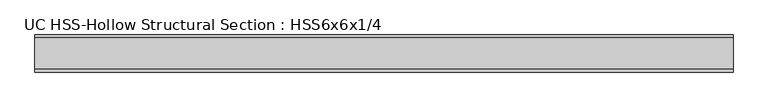
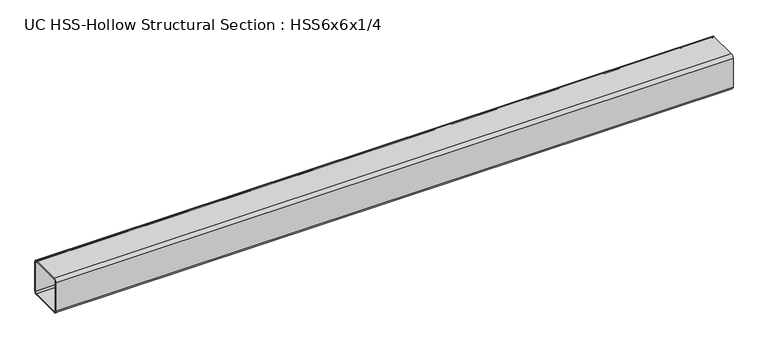
"""IFC4 building model written with IfcOpenShell, lengths in millimetres: beam geometry, UC HSS-Hollow Structural Section : HSS6x6x1/4."""

import ifcopenshell
import ifcopenshell.guid

model = None  # the IFC model being written
_history = None  # IfcOwnerHistory: only IFC2X3 demands one
_inside = {}  # id of a spatial element -> (the spatial element, [elements in it])
_under = {}  # id of a project, library or spatial element -> (it, [spatial elements below it])
_declared = {}  # id of a project -> (the project, [libraries it declares])
_typed = {}  # id of a type object -> (the type object, [elements of that type])
_made_of = {}  # id of a material, layer set ... -> (it, [elements and type objects made of it])


def new_model(schema):
    """Start an empty IFC model of exactly this schema.

    Asked for "IFC4X3", IfcOpenShell would pick the latest addendum, in which some entities
    have other attributes; the version numbers below select the first issue.
    IFC2X3 requires an IfcOwnerHistory on every rooted entity: one is made here for all.
    """
    global model, _history
    if schema == "IFC4X3":
        model = ifcopenshell.file(schema_version=(4, 3, 0, 0))
    else:
        model = ifcopenshell.file(schema=schema)
    _inside.clear()
    _under.clear()
    _declared.clear()
    _typed.clear()
    _made_of.clear()
    _history = None
    if model.schema == "IFC2X3":
        org = make("IfcOrganization", Name="unknown")
        user = make(
            "IfcPersonAndOrganization",
            ThePerson=make("IfcPerson", FamilyName="unknown"),
            TheOrganization=org,
        )
        app = make(
            "IfcApplication",
            ApplicationDeveloper=org,
            Version="unknown",
            ApplicationFullName="unknown",
            ApplicationIdentifier="unknown",
        )
        _history = make(
            "IfcOwnerHistory",
            OwningUser=user,
            OwningApplication=app,
            ChangeAction="ADDED",
            CreationDate=0,
        )
    return model


def make(cls, **values):
    """One entity of the class cls with the attributes given. An attribute that is None is left unset."""
    return model.create_entity(
        cls, **{name: value for name, value in values.items() if value is not None}
    )


def rooted(cls, **values):
    """An entity with a GlobalId (a new one), such as an element, a storey or a relation."""
    return make(cls, GlobalId=ifcopenshell.guid.new(), OwnerHistory=_history, **values)


def si_unit(unit_type, name, prefix=None):
    """IfcSIUnit, for example si_unit("LENGTHUNIT", "METRE", prefix="MILLI")."""
    return make("IfcSIUnit", UnitType=unit_type, Prefix=prefix, Name=name)


def assignment(units):
    """IfcUnitAssignment: the units of a project."""
    return None if units is None else make("IfcUnitAssignment", Units=units)


def point(xyz):
    """IfcCartesianPoint."""
    return None if xyz is None else make("IfcCartesianPoint", Coordinates=xyz)


def direction(xyz):
    """IfcDirection."""
    return None if xyz is None else make("IfcDirection", DirectionRatios=xyz)


def frame(location, z_axis=None, x_axis=None):
    """IfcAxis2Placement3D, a coordinate frame: its origin and axes. An axis left out is left unset."""
    return make(
        "IfcAxis2Placement3D",
        Location=point(location),
        Axis=direction(z_axis),
        RefDirection=direction(x_axis),
    )


def frame_2d(location, x_axis=None):
    """IfcAxis2Placement2D, a coordinate frame in the plane: its origin and x axis."""
    return make(
        "IfcAxis2Placement2D", Location=point(location), RefDirection=direction(x_axis)
    )


def origin():
    """The frame at (0, 0, 0) with its axes left unset."""
    return frame((0.0, 0.0, 0.0))


def place(relative_to, where):
    """IfcLocalPlacement: puts the frame where relative to a parent placement (None: the world)."""
    return make(
        "IfcLocalPlacement", PlacementRelTo=relative_to, RelativePlacement=where
    )


def context(
    kind, dimensions, precision=None, world=None, true_north=None, identifier=None
):
    """IfcGeometricRepresentationContext, for example the 3D "Model" context."""
    return make(
        "IfcGeometricRepresentationContext",
        ContextIdentifier=identifier,
        ContextType=kind,
        CoordinateSpaceDimension=dimensions,
        Precision=precision,
        WorldCoordinateSystem=world,
        TrueNorth=true_north,
    )


def project(units=None, contexts=None):
    """IfcProject with its units and contexts."""
    return rooted(
        "IfcProject",
        Name="project",
        RepresentationContexts=contexts,
        UnitsInContext=assignment(units),
    )


def spatial(cls, under=None, at=None, **own):
    """A site, building, storey or space (cls), placed at a placement, below another one or the project."""
    s = rooted(cls, ObjectPlacement=at, **own)
    if under is not None:
        _under.setdefault(under.id(), (under, []))[1].append(s)
    return s


def polyline(points):
    """IfcPolyline through the points."""
    return make("IfcPolyline", Points=[point(p) for p in points])


def circle_curve(where, radius):
    """IfcCircle in the frame where."""
    return make("IfcCircle", Position=where, Radius=radius)


def trimmed(basis, trim1, trim2, sense, master):
    """IfcTrimmedCurve: the piece of a basis curve between two trims."""
    return make(
        "IfcTrimmedCurve",
        BasisCurve=basis,
        Trim1=trim1,
        Trim2=trim2,
        SenseAgreement=sense,
        MasterRepresentation=master,
    )


def segment(curve, same_sense, transition):
    """IfcCompositeCurveSegment."""
    return make(
        "IfcCompositeCurveSegment",
        Transition=transition,
        SameSense=same_sense,
        ParentCurve=curve,
    )


def composite_curve(segments, self_intersect=None):
    """IfcCompositeCurve: segments joined end to end."""
    return make("IfcCompositeCurve", Segments=segments, SelfIntersect=self_intersect)


def outline(outer, holes=None, kind="AREA"):
    """IfcArbitraryClosedProfileDef: a profile drawn as a closed curve; with holes, ...WithVoids."""
    if holes is None:
        return make("IfcArbitraryClosedProfileDef", ProfileType=kind, OuterCurve=outer)
    return make(
        "IfcArbitraryProfileDefWithVoids",
        ProfileType=kind,
        OuterCurve=outer,
        InnerCurves=holes,
    )


def extrude(swept, where, along, depth):
    """IfcExtrudedAreaSolid: the profile swept, set in the frame where, extruded along a direction by depth."""
    return make(
        "IfcExtrudedAreaSolid",
        SweptArea=swept,
        Position=where,
        ExtrudedDirection=direction(along),
        Depth=depth,
    )


def shape(context_of_items, identifier, shape_type, items):
    """IfcShapeRepresentation: the items that make up one representation, for example the "Body"."""
    return make(
        "IfcShapeRepresentation",
        ContextOfItems=context_of_items,
        RepresentationIdentifier=identifier,
        RepresentationType=shape_type,
        Items=items,
    )


def source(mapping_origin, context_of_items, identifier, shape_type, items):
    """IfcRepresentationMap: a shape defined once, which mapped items show again and again."""
    return make(
        "IfcRepresentationMap",
        MappingOrigin=mapping_origin,
        MappedRepresentation=shape(context_of_items, identifier, shape_type, items),
    )


def transform(
    local_origin,
    x_axis=None,
    y_axis=None,
    z_axis=None,
    scale=None,
    scale2=None,
    scale3=None,
    uniform=True,
):
    """IfcCartesianTransformationOperator3D, or its non-uniform kind. x_axis, y_axis, z_axis: its Axis1, 2, 3."""
    if uniform:
        return make(
            "IfcCartesianTransformationOperator3D",
            Axis1=direction(x_axis),
            Axis2=direction(y_axis),
            LocalOrigin=point(local_origin),
            Scale=scale,
            Axis3=direction(z_axis),
        )
    return make(
        "IfcCartesianTransformationOperator3DnonUniform",
        Axis1=direction(x_axis),
        Axis2=direction(y_axis),
        LocalOrigin=point(local_origin),
        Scale=scale,
        Axis3=direction(z_axis),
        Scale2=scale2,
        Scale3=scale3,
    )


def mapped(mapping_source, mapping_target):
    """IfcMappedItem: shows the shape of a source again, moved by a transform."""
    return make(
        "IfcMappedItem", MappingSource=mapping_source, MappingTarget=mapping_target
    )


def made_of(thing, what):
    """Note that an element or type object is made of a material, layer set ...; save() writes the relation."""
    if what is not None:
        _made_of.setdefault(what.id(), (what, []))[1].append(thing)
    return thing


def element(
    cls,
    number,
    at=None,
    inside=None,
    cuts=None,
    type_object=None,
    material=None,
    context=None,
    identifier="Body",
    shape_type=None,
    held_by="IfcProductDefinitionShape",
    body=None,
    shapes=None,
    **own,
):
    """One element of the class cls, such as IfcWall. Its Tag is "e" and its number.

    at: its placement. inside: the storey or other place that contains it. cuts: it is an
    opening in that element (IfcRelVoidsElement). A single representation is given by context,
    identifier, shape_type and body (its items); several are given by shapes. held_by: the class
    of the entity that holds the representations. save() writes the other relations.
    """
    e = rooted(cls, Tag="e%d" % number, ObjectPlacement=at, **own)
    if body is not None:
        shapes = [shape(context, identifier, shape_type, body)]
    if shapes is not None:
        e.Representation = make(held_by, Representations=shapes)
    if inside is not None:
        _inside.setdefault(inside.id(), (inside, []))[1].append(e)
    if cuts is not None:
        rooted(
            "IfcRelVoidsElement", RelatingBuildingElement=cuts, RelatedOpeningElement=e
        )
    if type_object is not None:
        _typed.setdefault(type_object.id(), (type_object, []))[1].append(e)
    return made_of(e, material)


def aggregate(whole, parts):
    """IfcRelAggregates: a whole, such as a stair, and the parts it consists of."""
    return rooted("IfcRelAggregates", RelatingObject=whole, RelatedObjects=parts)


def save(model, path):
    """Write the relations noted so far, then the file.

    IfcRelAggregates (storeys below a building ...), IfcRelContainedInSpatialStructure (elements
    in a storey), IfcRelDefinesByType, IfcRelAssociatesMaterial and IfcRelDeclares: one each for
    every whole, place, type object, material and project.
    """
    for whole, parts in _under.values():
        aggregate(whole, parts)
    for where, things in _inside.values():
        rooted(
            "IfcRelContainedInSpatialStructure",
            RelatedElements=things,
            RelatingStructure=where,
        )
    for kind, things in _typed.values():
        rooted("IfcRelDefinesByType", RelatedObjects=things, RelatingType=kind)
    for what, things in _made_of.values():
        rooted("IfcRelAssociatesMaterial", RelatedObjects=things, RelatingMaterial=what)
    for by, libraries in _declared.values():
        rooted("IfcRelDeclares", RelatingContext=by, RelatedDefinitions=libraries)
    model.write(path)


def uc_hss_hollow_structural_section_hss6x6x1_4_25fa8b45(model_context):
    return source(origin(), model_context, "Body", "SweptSolid", [
        extrude(outline(composite_curve([segment(trimmed(circle_curve(frame_2d((-64.3636, 64.3636)), 11.8364), [point((-76.2, 64.3636))], [point((-64.3636, 76.2))], False, "CARTESIAN"), True, "CONTINUOUS"), segment(polyline([(-64.3636, 76.2), (64.3636, 76.2)]), True, "CONTINUOUS"), segment(trimmed(circle_curve(frame_2d((64.3636, 64.3636)), 11.8364), [point((64.3636, 76.2))], [point((76.2, 64.3636))], False, "CARTESIAN"), True, "CONTINUOUS"), segment(polyline([(76.2, 64.3636), (76.2, -64.3636)]), True, "CONTINUOUS"), segment(trimmed(circle_curve(frame_2d((64.3636, -64.3636)), 11.8364), [point((76.2, -64.3636))], [point((64.3636, -76.2))], False, "CARTESIAN"), True, "CONTINUOUS"), segment(polyline([(64.3636, -76.2), (-64.3636, -76.2)]), True, "CONTINUOUS"), segment(trimmed(circle_curve(frame_2d((-64.3636, -64.3636)), 11.8364), [point((-64.3636, -76.2))], [point((-76.2, -64.3636))], False, "CARTESIAN"), True, "CONTINUOUS"), segment(polyline([(-76.2, -64.3636), (-76.2, 64.3636)]), True, "CONTINUOUS")], self_intersect=False), holes=[composite_curve([segment(polyline([(64.3636, 70.2818), (-64.3636, 70.2818)]), True, "CONTINUOUS"), segment(trimmed(circle_curve(frame_2d((-64.3636, 64.3636)), 5.9182), [point((-64.3636, 70.2818))], [point((-70.2818, 64.3636))], True, "CARTESIAN"), True, "CONTINUOUS"), segment(polyline([(-70.2818, 64.3636), (-70.2818, -64.3636)]), True, "CONTINUOUS"), segment(trimmed(circle_curve(frame_2d((-64.3636, -64.3636)), 5.9182), [point((-70.2818, -64.3636))], [point((-64.3636, -70.2818))], True, "CARTESIAN"), True, "CONTINUOUS"), segment(polyline([(-64.3636, -70.2818), (64.3636, -70.2818)]), True, "CONTINUOUS"), segment(trimmed(circle_curve(frame_2d((64.3636, -64.3636)), 5.9182), [point((64.3636, -70.2818))], [point((70.2818, -64.3636))], True, "CARTESIAN"), True, "CONTINUOUS"), segment(polyline([(70.2818, -64.3636), (70.2818, 64.3636)]), True, "CONTINUOUS"), segment(trimmed(circle_curve(frame_2d((64.3636, 64.3636)), 5.9182), [point((70.2818, 64.3636))], [point((64.3636, 70.2818))], True, "CARTESIAN"), True, "CONTINUOUS")], self_intersect=False)]), frame((-1058.4409558, 0.0, 0.0), z_axis=(1.0, 0.0, 0.0), x_axis=(0.0, 1.0, 0.0)), (0.0, 0.0, 1.0), 2862.9769692),
    ])


if __name__ == "__main__":
    model = new_model("IFC4")
    model_context = context("Model", 3, world=origin())
    ifc_project = project(units=[si_unit("LENGTHUNIT", "METRE", prefix="MILLI")], contexts=[model_context])
    site = spatial("IfcSite", under=ifc_project)
    building = spatial("IfcBuilding", under=site)
    placement = place(None, origin())
    uc_hss_hollow_structural_section_hss6x6x1_4_shape = uc_hss_hollow_structural_section_hss6x6x1_4_25fa8b45(model_context)
    element("IfcBeam", 1, ObjectType="UC HSS-Hollow Structural Section : HSS6x6x1/4", at=placement, inside=building, context=model_context, shape_type="MappedRepresentation", body=[
        mapped(uc_hss_hollow_structural_section_hss6x6x1_4_shape, transform((0.0, 0.0, 0.0), x_axis=(1.0, 0.0, 0.0), y_axis=(0.0, 1.0, 0.0), z_axis=(0.0, 0.0, 1.0))),
    ])
    save(model, "model.ifc")
